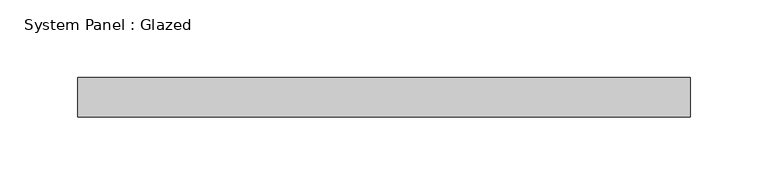
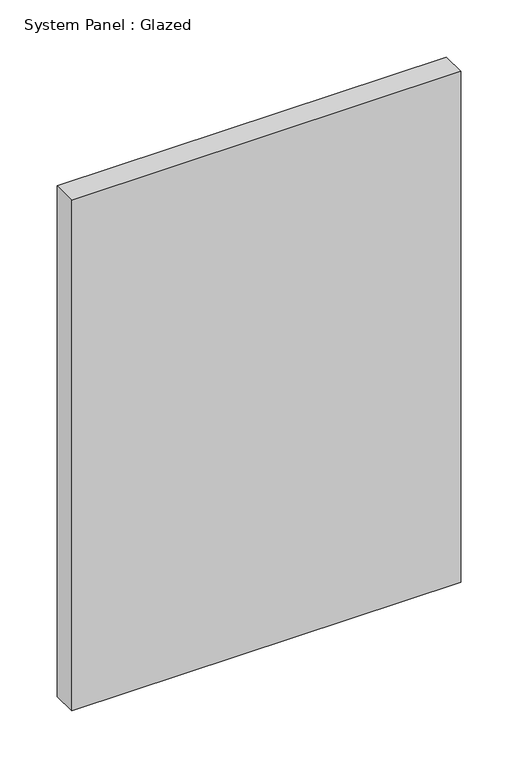
"""IFC4 building model written with IfcOpenShell, lengths in millimetres: plate geometry, System Panel : Glazed."""

from ifc_helpers import new_model, si_unit, origin, origin_with_axes, place, context, project, spatial, polyline, outline, extrude, source, transform, mapped, element, save


def system_panel_glazed_160f9ed0(model_context):
    return source(origin(), model_context, "Body", "SweptSolid", [
        extrude(outline(polyline([(196.85, 19.05), (-196.85, 19.05), (-196.85, 44.45), (196.85, 44.45), (196.85, 19.05)])), origin_with_axes(), (0.0, 0.0, 1.0), 546.1),
    ])


if __name__ == "__main__":
    model = new_model("IFC4")
    model_context = context("Model", 3, world=origin())
    ifc_project = project(units=[si_unit("LENGTHUNIT", "METRE", prefix="MILLI")], contexts=[model_context])
    site = spatial("IfcSite", under=ifc_project)
    building = spatial("IfcBuilding", under=site)
    placement = place(None, origin())
    system_panel_glazed_shape = system_panel_glazed_160f9ed0(model_context)
    element("IfcPlate", 1, ObjectType="System Panel : Glazed", at=placement, inside=building, context=model_context, shape_type="MappedRepresentation", body=[
        mapped(system_panel_glazed_shape, transform((0.0, 0.0, 0.0), x_axis=(1.0, 0.0, 0.0), y_axis=(0.0, 1.0, 0.0), z_axis=(0.0, 0.0, 1.0))),
    ])
    save(model, "model.ifc")
